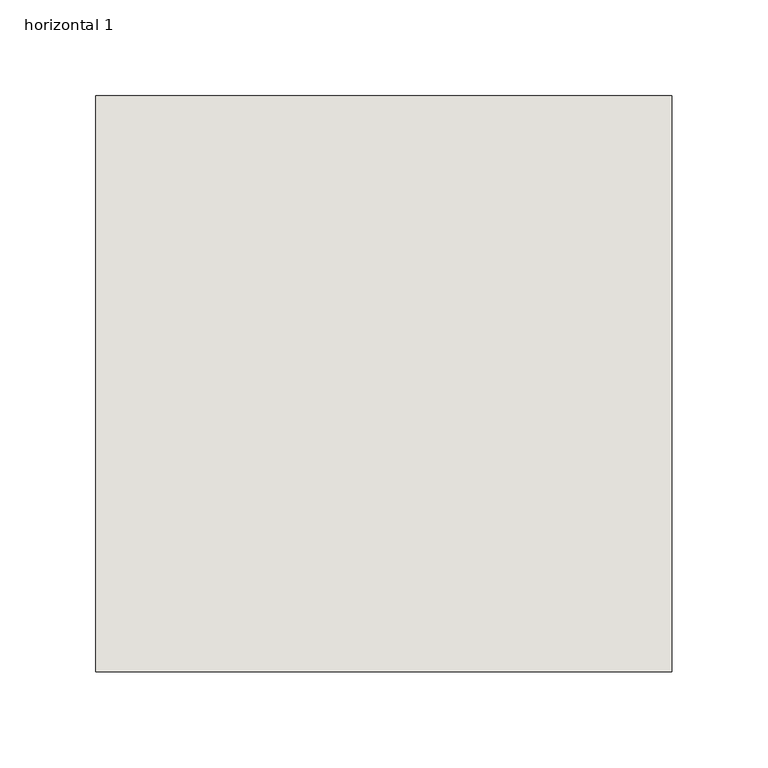
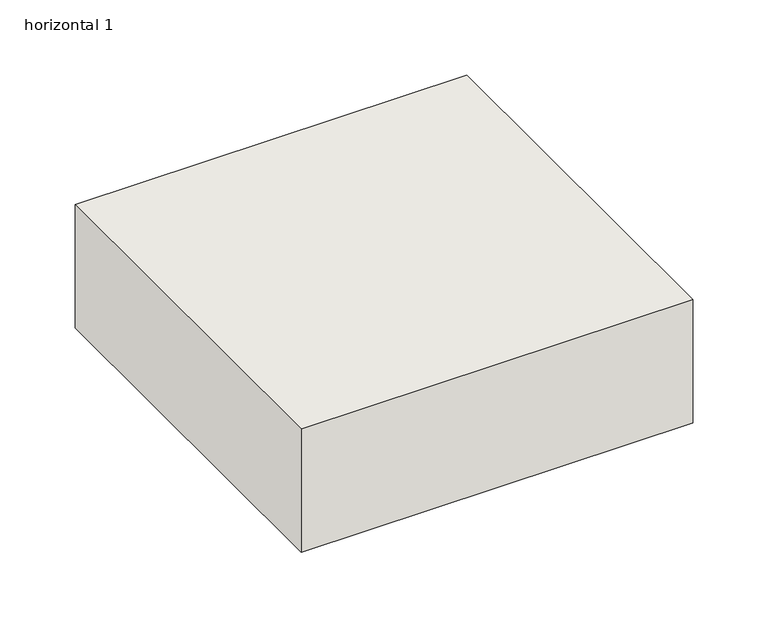
"""IFC4 building model written with IfcOpenShell, lengths in millimetres: wall geometry, horizontal 1."""

from ifc_helpers import new_model, si_unit, frame, origin, place, context, project, spatial, polyline, outline, extrude, source, transform, mapped, element, save


def horizontal_1_14bea456(model_context):
    return source(origin(), model_context, "Body", "SweptSolid", [
        extrude(outline(polyline([(0.0, -150.0), (0.0, 150.0), (300.0, 150.0), (300.0, -150.0), (0.0, -150.0)])), frame((0.0, 0.0, -50.0), z_axis=(0.0, 0.0, 1.0), x_axis=(1.0, 0.0, 0.0)), (0.0, 0.0, 1.0), 100.0),
    ])


if __name__ == "__main__":
    model = new_model("IFC4")
    model_context = context("Model", 3, world=origin())
    ifc_project = project(units=[si_unit("LENGTHUNIT", "METRE", prefix="MILLI")], contexts=[model_context])
    site = spatial("IfcSite", under=ifc_project)
    building = spatial("IfcBuilding", under=site)
    placement = place(None, origin())
    horizontal_1_shape = horizontal_1_14bea456(model_context)
    element("IfcWall", 1, ObjectType="horizontal 1", at=placement, inside=building, context=model_context, shape_type="MappedRepresentation", body=[
        mapped(horizontal_1_shape, transform((0.0, 0.0, 0.0), x_axis=(1.0, 0.0, 0.0), y_axis=(0.0, 1.0, 0.0), z_axis=(0.0, 0.0, 1.0))),
    ])
    save(model, "model.ifc")
